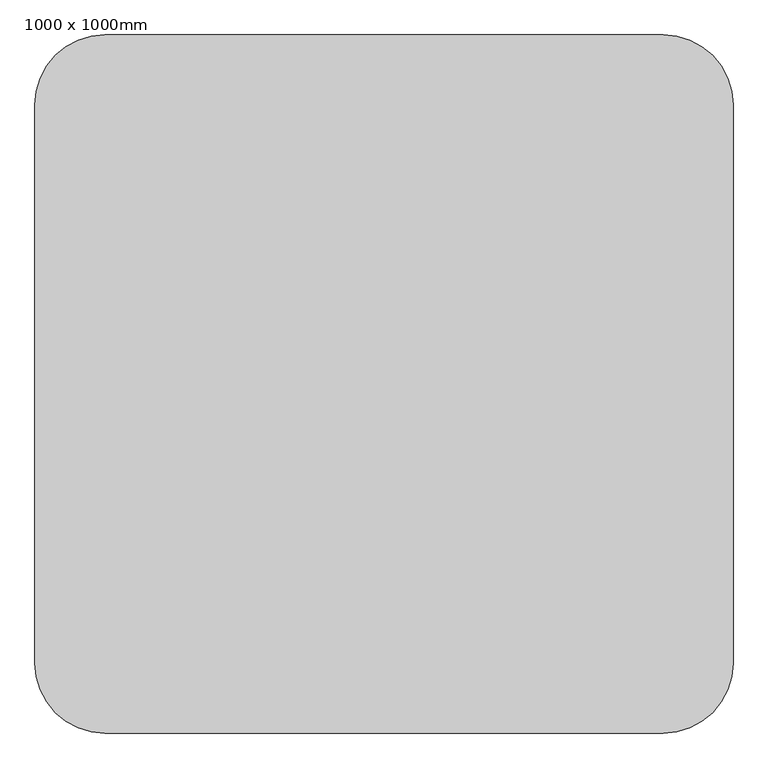
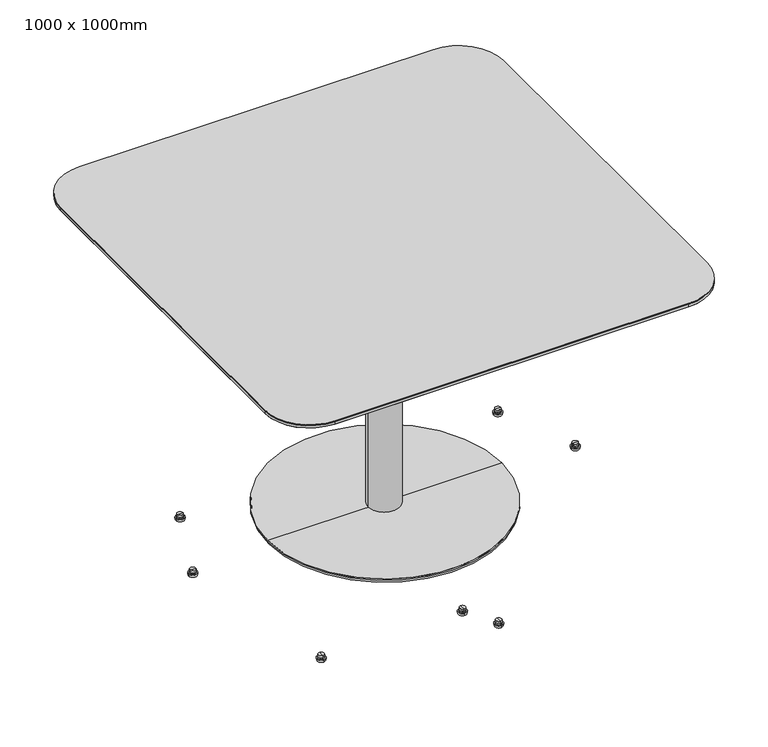
"""IFC4 building model written with IfcOpenShell, lengths in millimetres: furniture geometry, 1000 x 1000mm."""

from ifc_helpers import new_model, si_unit, point, frame, frame_2d, origin, place, context, project, spatial, polyline, circle_curve, trimmed, segment, composite_curve, outline, extrude, source, transform, mapped, element, save
from ifc_brep_helpers import plane_surface, cylinder_surface, revolved_surface, advanced_brep


def furniture_1000_x_1000mm_6dfacca7(model_context):
    return source(origin(), model_context, "Body", "SolidModel", [
        advanced_brep(
        [(455.6003837, 176.3714444, 13.7177537), (468.5727198, 176.3714444, 13.7177537), (462.0865517, 176.3714444, 13.7177537), (455.6003837, 176.3714444, 9.5464368), (468.5727198, 176.3714444, 9.5464368), (458.7415913, 176.3714444, 9.5464368), (465.4315122, 176.3714444, 9.5464368), (458.7415913, 176.3714444, 6.7188998), (465.4315122, 176.3714444, 6.7188998), (455.0404536, 176.3714444, 6.7188998), (469.1326499, 176.3714444, 6.7188998), (455.0404536, 176.3714444, 5.5990832), (469.1326499, 176.3714444, 5.5990832), (451.9608383, 176.3714444, 5.5990832), (472.2122652, 176.3714444, 5.5990832), (453.0806984, 176.3714444, 0.0), (471.0924051, 176.3714444, 0.0), (462.0865517, 176.3714444, 0.0)],
        [
            (0, 1, circle_curve(frame((462.0865517, 176.3714444, 13.7177537), z_axis=(0.0, 0.0, 1.0), x_axis=(1.0, 0.0, 0.0)), 6.4861681)),
            (1, 2),
            (2, 0),
            (1, 0, circle_curve(frame((462.0865517, 176.3714444, 13.7177537), z_axis=(0.0, 0.0, 1.0), x_axis=(1.0, 0.0, 0.0)), 6.4861681)),
            (3, 4, circle_curve(frame((462.0865517, 176.3714444, 9.5464368), z_axis=(0.0, 0.0, 1.0), x_axis=(1.0, 0.0, 0.0)), 6.4861681)),
            (4, 1),
            (0, 3),
            (4, 3, circle_curve(frame((462.0865517, 176.3714444, 9.5464368), z_axis=(0.0, 0.0, 1.0), x_axis=(1.0, 0.0, 0.0)), 6.4861681)),
            (5, 6, circle_curve(frame((462.0865517, 176.3714444, 9.5464368), z_axis=(0.0, 0.0, 1.0), x_axis=(1.0, 0.0, 0.0)), 3.3449605)),
            (6, 4),
            (3, 5),
            (6, 5, circle_curve(frame((462.0865517, 176.3714444, 9.5464368), z_axis=(0.0, 0.0, 1.0), x_axis=(1.0, 0.0, 0.0)), 3.3449605)),
            (7, 8, circle_curve(frame((462.0865517, 176.3714444, 6.7188998), z_axis=(0.0, 0.0, 1.0), x_axis=(1.0, 0.0, 0.0)), 3.3449605)),
            (8, 6),
            (5, 7),
            (8, 7, circle_curve(frame((462.0865517, 176.3714444, 6.7188998), z_axis=(0.0, 0.0, 1.0), x_axis=(1.0, 0.0, 0.0)), 3.3449605)),
            (9, 10, circle_curve(frame((462.0865517, 176.3714444, 6.7188998), z_axis=(0.0, 0.0, 1.0), x_axis=(1.0, 0.0, 0.0)), 7.0460981)),
            (10, 8),
            (7, 9),
            (10, 9, circle_curve(frame((462.0865517, 176.3714444, 6.7188998), z_axis=(0.0, 0.0, 1.0), x_axis=(1.0, 0.0, 0.0)), 7.0460981)),
            (11, 12, circle_curve(frame((462.0865517, 176.3714444, 5.5990832), z_axis=(0.0, 0.0, 1.0), x_axis=(1.0, 0.0, 0.0)), 7.0460981)),
            (12, 10),
            (9, 11),
            (12, 11, circle_curve(frame((462.0865517, 176.3714444, 5.5990832), z_axis=(0.0, 0.0, 1.0), x_axis=(1.0, 0.0, 0.0)), 7.0460981)),
            (13, 14, circle_curve(frame((462.0865517, 176.3714444, 5.5990832), z_axis=(0.0, 0.0, 1.0), x_axis=(1.0, 0.0, 0.0)), 10.1257135)),
            (14, 12),
            (11, 13),
            (14, 13, circle_curve(frame((462.0865517, 176.3714444, 5.5990832), z_axis=(0.0, 0.0, 1.0), x_axis=(1.0, 0.0, 0.0)), 10.1257135)),
            (15, 16, circle_curve(frame((462.0865517, 176.3714444, 0.0), z_axis=(0.0, 0.0, 1.0), x_axis=(1.0, 0.0, 0.0)), 9.0058533)),
            (16, 14),
            (13, 15),
            (16, 15, circle_curve(frame((462.0865517, 176.3714444, 0.0), z_axis=(0.0, 0.0, 1.0), x_axis=(1.0, 0.0, 0.0)), 9.0058533)),
            (17, 16),
            (15, 17),
        ],
        [
            plane_surface(frame((462.0865517, 176.3714444, 13.7177537), z_axis=(0.0, 0.0, 1.0), x_axis=(1.0, 0.0, 0.0))),
            cylinder_surface(frame((462.0865517, 176.3714444, 9.5464368), z_axis=(0.0, 0.0, -1.0), x_axis=(1.0, 0.0, 0.0)), 6.4861681),
            plane_surface(frame((462.0865517, 176.3714444, 9.5464368), z_axis=(0.0, 0.0, -1.0), x_axis=(1.0, 0.0, 0.0))),
            cylinder_surface(frame((462.0865517, 176.3714444, 9.5464368), z_axis=(0.0, 0.0, -1.0), x_axis=(1.0, 0.0, 0.0)), 3.3449605),
            plane_surface(frame((462.0865517, 176.3714444, 6.7188998), z_axis=(0.0, 0.0, 1.0), x_axis=(1.0, 0.0, 0.0))),
            cylinder_surface(frame((462.0865517, 176.3714444, 9.5464368), z_axis=(0.0, 0.0, -1.0), x_axis=(1.0, 0.0, 0.0)), 7.0460981),
            plane_surface(frame((462.0865517, 176.3714444, 5.5990832), z_axis=(0.0, 0.0, 1.0), x_axis=(1.0, 0.0, 0.0))),
            revolved_surface(polyline([(472.2122652, 176.3714444, 5.5990832), (471.0924051, 176.3714444, 0.0)]), (462.0865517, 176.3714444, 9.5464368), (0.0, 0.0, -1.0)),
            plane_surface(frame((462.0865517, 176.3714444, 0.0), z_axis=(0.0, 0.0, -1.0), x_axis=(1.0, 0.0, 0.0))),
        ],
        [
            (0, [[1, 2, 3]]),
            (0, [[4, -3, -2]]),
            (1, [[5, 6, -1, 7]]),
            (1, [[8, -7, -4, -6]]),
            (2, [[9, 10, -5, 11]]),
            (2, [[12, -11, -8, -10]]),
            (3, [[13, 14, -9, 15]]),
            (3, [[16, -15, -12, -14]]),
            (4, [[17, 18, -13, 19]]),
            (4, [[20, -19, -16, -18]]),
            (5, [[21, 22, -17, 23]]),
            (5, [[24, -23, -20, -22]]),
            (6, [[25, 26, -21, 27]]),
            (6, [[28, -27, -24, -26]]),
            (7, [[29, 30, -25, 31]]),
            (7, [[32, -31, -28, -30]]),
            (8, [[33, -29, 34]]),
            (8, [[-34, -32, -33]]),
        ],
    ),
        advanced_brep(
        [(62.5138583, -376.8722705, 13.7177537), (62.5138583, -383.3584386, 13.7177537), (62.5138583, -370.3861024, 13.7177537), (62.5138583, -383.3584386, 9.5464368), (62.5138583, -370.3861024, 9.5464368), (62.5138583, -380.217231, 9.5464368), (62.5138583, -373.52731, 9.5464368), (62.5138583, -380.217231, 6.7188998), (62.5138583, -373.52731, 6.7188998), (62.5138583, -383.9183686, 6.7188998), (62.5138583, -369.8261723, 6.7188998), (62.5138583, -383.9183686, 5.5990832), (62.5138583, -369.8261723, 5.5990832), (62.5138583, -386.9979839, 5.5990832), (62.5138583, -366.746557, 5.5990832), (62.5138583, -385.8781238, 0.0), (62.5138583, -367.8664171, 0.0), (62.5138583, -376.8722705, 0.0)],
        [
            (0, 1),
            (1, 2, circle_curve(frame((62.5138583, -376.8722705, 13.7177537), z_axis=(0.0, 0.0, 1.0), x_axis=(0.0, -1.0, 0.0)), 6.4861681)),
            (2, 0),
            (2, 1, circle_curve(frame((62.5138583, -376.8722705, 13.7177537), z_axis=(0.0, 0.0, 1.0), x_axis=(0.0, -1.0, 0.0)), 6.4861681)),
            (1, 3),
            (3, 4, circle_curve(frame((62.5138583, -376.8722705, 9.5464368), z_axis=(0.0, 0.0, 1.0), x_axis=(0.0, -1.0, 0.0)), 6.4861681)),
            (4, 2),
            (4, 3, circle_curve(frame((62.5138583, -376.8722705, 9.5464368), z_axis=(0.0, 0.0, 1.0), x_axis=(0.0, -1.0, 0.0)), 6.4861681)),
            (3, 5),
            (5, 6, circle_curve(frame((62.5138583, -376.8722705, 9.5464368), z_axis=(0.0, 0.0, 1.0), x_axis=(0.0, -1.0, 0.0)), 3.3449605)),
            (6, 4),
            (6, 5, circle_curve(frame((62.5138583, -376.8722705, 9.5464368), z_axis=(0.0, 0.0, 1.0), x_axis=(0.0, -1.0, 0.0)), 3.3449605)),
            (5, 7),
            (7, 8, circle_curve(frame((62.5138583, -376.8722705, 6.7188998), z_axis=(0.0, 0.0, 1.0), x_axis=(0.0, -1.0, 0.0)), 3.3449605)),
            (8, 6),
            (8, 7, circle_curve(frame((62.5138583, -376.8722705, 6.7188998), z_axis=(0.0, 0.0, 1.0), x_axis=(0.0, -1.0, 0.0)), 3.3449605)),
            (7, 9),
            (9, 10, circle_curve(frame((62.5138583, -376.8722705, 6.7188998), z_axis=(0.0, 0.0, 1.0), x_axis=(0.0, -1.0, 0.0)), 7.0460981)),
            (10, 8),
            (10, 9, circle_curve(frame((62.5138583, -376.8722705, 6.7188998), z_axis=(0.0, 0.0, 1.0), x_axis=(0.0, -1.0, 0.0)), 7.0460981)),
            (9, 11),
            (11, 12, circle_curve(frame((62.5138583, -376.8722705, 5.5990832), z_axis=(0.0, 0.0, 1.0), x_axis=(0.0, -1.0, 0.0)), 7.0460981)),
            (12, 10),
            (12, 11, circle_curve(frame((62.5138583, -376.8722705, 5.5990832), z_axis=(0.0, 0.0, 1.0), x_axis=(0.0, -1.0, 0.0)), 7.0460981)),
            (11, 13),
            (13, 14, circle_curve(frame((62.5138583, -376.8722705, 5.5990832), z_axis=(0.0, 0.0, 1.0), x_axis=(0.0, -1.0, 0.0)), 10.1257135)),
            (14, 12),
            (14, 13, circle_curve(frame((62.5138583, -376.8722705, 5.5990832), z_axis=(0.0, 0.0, 1.0), x_axis=(0.0, -1.0, 0.0)), 10.1257135)),
            (13, 15),
            (15, 16, circle_curve(frame((62.5138583, -376.8722705, 0.0), z_axis=(0.0, 0.0, 1.0), x_axis=(0.0, -1.0, 0.0)), 9.0058533)),
            (16, 14),
            (16, 15, circle_curve(frame((62.5138583, -376.8722705, 0.0), z_axis=(0.0, 0.0, 1.0), x_axis=(0.0, -1.0, 0.0)), 9.0058533)),
            (15, 17),
            (17, 16),
        ],
        [
            plane_surface(frame((62.5138583, -376.8722705, 13.7177537), z_axis=(0.0, 0.0, 1.0), x_axis=(0.0, -1.0, 0.0))),
            cylinder_surface(frame((62.5138583, -376.8722705, 9.5464368), z_axis=(0.0, 0.0, 1.0), x_axis=(0.0, -1.0, 0.0)), 6.4861681),
            plane_surface(frame((62.5138583, -376.8722705, 9.5464368), z_axis=(0.0, 0.0, -1.0), x_axis=(0.0, -1.0, 0.0))),
            cylinder_surface(frame((62.5138583, -376.8722705, 9.5464368), z_axis=(0.0, 0.0, 1.0), x_axis=(0.0, -1.0, 0.0)), 3.3449605),
            plane_surface(frame((62.5138583, -376.8722705, 6.7188998), z_axis=(0.0, 0.0, 1.0), x_axis=(0.0, -1.0, 0.0))),
            cylinder_surface(frame((62.5138583, -376.8722705, 9.5464368), z_axis=(0.0, 0.0, 1.0), x_axis=(0.0, -1.0, 0.0)), 7.0460981),
            plane_surface(frame((62.5138583, -376.8722705, 5.5990832), z_axis=(0.0, 0.0, 1.0), x_axis=(0.0, -1.0, 0.0))),
            revolved_surface(polyline([(62.5138583, -385.8781238, 0.0), (62.5138583, -386.9979839, 5.5990832)]), (62.5138583, -376.8722705, 9.5464368), (0.0, 0.0, 1.0)),
            plane_surface(frame((62.5138583, -376.8722705, 0.0), z_axis=(0.0, 0.0, -1.0), x_axis=(0.0, -1.0, 0.0))),
        ],
        [
            (0, [[1, 2, 3]]),
            (0, [[-3, 4, -1]]),
            (1, [[-2, 5, 6, 7]]),
            (1, [[-4, -7, 8, -5]]),
            (2, [[-6, 9, 10, 11]]),
            (2, [[-8, -11, 12, -9]]),
            (3, [[-10, 13, 14, 15]]),
            (3, [[-12, -15, 16, -13]]),
            (4, [[-14, 17, 18, 19]]),
            (4, [[-16, -19, 20, -17]]),
            (5, [[-18, 21, 22, 23]]),
            (5, [[-20, -23, 24, -21]]),
            (6, [[-22, 25, 26, 27]]),
            (6, [[-24, -27, 28, -25]]),
            (7, [[-26, 29, 30, 31]]),
            (7, [[-28, -31, 32, -29]]),
            (8, [[-30, 33, 34]]),
            (8, [[-32, -34, -33]]),
        ],
    ),
        advanced_brep(
        [(535.0657123, 0.0, 13.7177537), (541.5518804, 0.0, 13.7177537), (528.5795442, 0.0, 13.7177537), (541.5518804, 0.0, 9.5464368), (528.5795442, 0.0, 9.5464368), (538.4106728, 0.0, 9.5464368), (531.7207518, 0.0, 9.5464368), (538.4106728, 0.0, 6.7188998), (531.7207518, 0.0, 6.7188998), (542.1118105, 0.0, 6.7188998), (528.0196142, 0.0, 6.7188998), (542.1118105, 0.0, 5.5990832), (528.0196142, 0.0, 5.5990832), (545.1914258, 0.0, 5.5990832), (524.9399989, 0.0, 5.5990832), (544.0715657, 0.0, 0.0), (526.059859, 0.0, 0.0), (535.0657123, 0.0, 0.0)],
        [
            (0, 1),
            (1, 2, circle_curve(frame((535.0657123, 0.0, 13.7177537), z_axis=(0.0, 0.0, 1.0), x_axis=(1.0, 0.0, 0.0)), 6.4861681)),
            (2, 0),
            (2, 1, circle_curve(frame((535.0657123, 0.0, 13.7177537), z_axis=(0.0, 0.0, 1.0), x_axis=(1.0, 0.0, 0.0)), 6.4861681)),
            (1, 3),
            (3, 4, circle_curve(frame((535.0657123, 0.0, 9.5464368), z_axis=(0.0, 0.0, 1.0), x_axis=(1.0, 0.0, 0.0)), 6.4861681)),
            (4, 2),
            (4, 3, circle_curve(frame((535.0657123, 0.0, 9.5464368), z_axis=(0.0, 0.0, 1.0), x_axis=(1.0, 0.0, 0.0)), 6.4861681)),
            (3, 5),
            (5, 6, circle_curve(frame((535.0657123, 0.0, 9.5464368), z_axis=(0.0, 0.0, 1.0), x_axis=(1.0, 0.0, 0.0)), 3.3449605)),
            (6, 4),
            (6, 5, circle_curve(frame((535.0657123, 0.0, 9.5464368), z_axis=(0.0, 0.0, 1.0), x_axis=(1.0, 0.0, 0.0)), 3.3449605)),
            (5, 7),
            (7, 8, circle_curve(frame((535.0657123, 0.0, 6.7188998), z_axis=(0.0, 0.0, 1.0), x_axis=(1.0, 0.0, 0.0)), 3.3449605)),
            (8, 6),
            (8, 7, circle_curve(frame((535.0657123, 0.0, 6.7188998), z_axis=(0.0, 0.0, 1.0), x_axis=(1.0, 0.0, 0.0)), 3.3449605)),
            (7, 9),
            (9, 10, circle_curve(frame((535.0657123, 0.0, 6.7188998), z_axis=(0.0, 0.0, 1.0), x_axis=(1.0, 0.0, 0.0)), 7.0460981)),
            (10, 8),
            (10, 9, circle_curve(frame((535.0657123, 0.0, 6.7188998), z_axis=(0.0, 0.0, 1.0), x_axis=(1.0, 0.0, 0.0)), 7.0460981)),
            (9, 11),
            (11, 12, circle_curve(frame((535.0657123, 0.0, 5.5990832), z_axis=(0.0, 0.0, 1.0), x_axis=(1.0, 0.0, 0.0)), 7.0460981)),
            (12, 10),
            (12, 11, circle_curve(frame((535.0657123, 0.0, 5.5990832), z_axis=(0.0, 0.0, 1.0), x_axis=(1.0, 0.0, 0.0)), 7.0460981)),
            (11, 13),
            (13, 14, circle_curve(frame((535.0657123, 0.0, 5.5990832), z_axis=(0.0, 0.0, 1.0), x_axis=(1.0, 0.0, 0.0)), 10.1257135)),
            (14, 12),
            (14, 13, circle_curve(frame((535.0657123, 0.0, 5.5990832), z_axis=(0.0, 0.0, 1.0), x_axis=(1.0, 0.0, 0.0)), 10.1257135)),
            (13, 15),
            (15, 16, circle_curve(frame((535.0657123, 0.0, 0.0), z_axis=(0.0, 0.0, 1.0), x_axis=(1.0, 0.0, 0.0)), 9.0058533)),
            (16, 14),
            (16, 15, circle_curve(frame((535.0657123, 0.0, 0.0), z_axis=(0.0, 0.0, 1.0), x_axis=(1.0, 0.0, 0.0)), 9.0058533)),
            (15, 17),
            (17, 16),
        ],
        [
            plane_surface(frame((535.0657123, 0.0, 13.7177537), z_axis=(0.0, 0.0, 1.0), x_axis=(1.0, 0.0, 0.0))),
            cylinder_surface(frame((535.0657123, 0.0, 9.5464368), z_axis=(0.0, 0.0, 1.0), x_axis=(1.0, 0.0, 0.0)), 6.4861681),
            plane_surface(frame((535.0657123, 0.0, 9.5464368), z_axis=(0.0, 0.0, -1.0), x_axis=(1.0, 0.0, 0.0))),
            cylinder_surface(frame((535.0657123, 0.0, 9.5464368), z_axis=(0.0, 0.0, 1.0), x_axis=(1.0, 0.0, 0.0)), 3.3449605),
            plane_surface(frame((535.0657123, 0.0, 6.7188998), z_axis=(0.0, 0.0, 1.0), x_axis=(1.0, 0.0, 0.0))),
            cylinder_surface(frame((535.0657123, 0.0, 9.5464368), z_axis=(0.0, 0.0, 1.0), x_axis=(1.0, 0.0, 0.0)), 7.0460981),
            plane_surface(frame((535.0657123, 0.0, 5.5990832), z_axis=(0.0, 0.0, 1.0), x_axis=(1.0, 0.0, 0.0))),
            revolved_surface(polyline([(544.0715657, 0.0, 0.0), (545.1914258, 0.0, 5.5990832)]), (535.0657123, 0.0, 9.5464368), (0.0, 0.0, 1.0)),
            plane_surface(frame((535.0657123, 0.0, 0.0), z_axis=(0.0, 0.0, -1.0), x_axis=(1.0, 0.0, 0.0))),
        ],
        [
            (0, [[1, 2, 3]]),
            (0, [[-3, 4, -1]]),
            (1, [[-2, 5, 6, 7]]),
            (1, [[-4, -7, 8, -5]]),
            (2, [[-6, 9, 10, 11]]),
            (2, [[-8, -11, 12, -9]]),
            (3, [[-10, 13, 14, 15]]),
            (3, [[-12, -15, 16, -13]]),
            (4, [[-14, 17, 18, 19]]),
            (4, [[-16, -19, 20, -17]]),
            (5, [[-18, 21, 22, 23]]),
            (5, [[-20, -23, 24, -21]]),
            (6, [[-22, 25, 26, 27]]),
            (6, [[-24, -27, 28, -25]]),
            (7, [[-26, 29, 30, 31]]),
            (7, [[-28, -31, 32, -29]]),
            (8, [[-30, 33, 34]]),
            (8, [[-32, -34, -33]]),
        ],
    ),
        extrude(outline(polyline([(199.9999478, 368.5153562), (500.0000157, -4.6903452), (199.9999445, -377.8950728), (6.44e-05, -377.8950728), (-299.9997435, -4.6898216), (5.22e-05, 368.5153562), (199.9999478, 368.5153562)])), frame((0.0, 0.0, 628.9250885), z_axis=(0.0, 0.0, 1.0), x_axis=(1.0, 0.0, 0.0)), (0.0, 0.0, 1.0), 5.0391748),
        advanced_brep(
        [(-255.8897158, 176.3714444, 13.7177537), (-262.3758839, 176.3714444, 13.7177537), (-249.4035477, 176.3714444, 13.7177537), (-262.3758839, 176.3714444, 9.5464368), (-249.4035477, 176.3714444, 9.5464368), (-259.2346763, 176.3714444, 9.5464368), (-252.5447553, 176.3714444, 9.5464368), (-259.2346763, 176.3714444, 6.7188998), (-252.5447553, 176.3714444, 6.7188998), (-262.935814, 176.3714444, 6.7188998), (-248.8436177, 176.3714444, 6.7188998), (-262.935814, 176.3714444, 5.5990832), (-248.8436177, 176.3714444, 5.5990832), (-266.0154293, 176.3714444, 5.5990832), (-245.7640024, 176.3714444, 5.5990832), (-264.8955692, 176.3714444, 0.0), (-246.8838625, 176.3714444, 0.0), (-255.8897158, 176.3714444, 0.0)],
        [
            (0, 1),
            (1, 2, circle_curve(frame((-255.8897158, 176.3714444, 13.7177537), z_axis=(0.0, 0.0, 1.0), x_axis=(-1.0, 0.0, 0.0)), 6.4861681)),
            (2, 0),
            (2, 1, circle_curve(frame((-255.8897158, 176.3714444, 13.7177537), z_axis=(0.0, 0.0, 1.0), x_axis=(-1.0, 0.0, 0.0)), 6.4861681)),
            (1, 3),
            (3, 4, circle_curve(frame((-255.8897158, 176.3714444, 9.5464368), z_axis=(0.0, 0.0, 1.0), x_axis=(-1.0, 0.0, 0.0)), 6.4861681)),
            (4, 2),
            (4, 3, circle_curve(frame((-255.8897158, 176.3714444, 9.5464368), z_axis=(0.0, 0.0, 1.0), x_axis=(-1.0, 0.0, 0.0)), 6.4861681)),
            (3, 5),
            (5, 6, circle_curve(frame((-255.8897158, 176.3714444, 9.5464368), z_axis=(0.0, 0.0, 1.0), x_axis=(-1.0, 0.0, 0.0)), 3.3449605)),
            (6, 4),
            (6, 5, circle_curve(frame((-255.8897158, 176.3714444, 9.5464368), z_axis=(0.0, 0.0, 1.0), x_axis=(-1.0, 0.0, 0.0)), 3.3449605)),
            (5, 7),
            (7, 8, circle_curve(frame((-255.8897158, 176.3714444, 6.7188998), z_axis=(0.0, 0.0, 1.0), x_axis=(-1.0, 0.0, 0.0)), 3.3449605)),
            (8, 6),
            (8, 7, circle_curve(frame((-255.8897158, 176.3714444, 6.7188998), z_axis=(0.0, 0.0, 1.0), x_axis=(-1.0, 0.0, 0.0)), 3.3449605)),
            (7, 9),
            (9, 10, circle_curve(frame((-255.8897158, 176.3714444, 6.7188998), z_axis=(0.0, 0.0, 1.0), x_axis=(-1.0, 0.0, 0.0)), 7.0460981)),
            (10, 8),
            (10, 9, circle_curve(frame((-255.8897158, 176.3714444, 6.7188998), z_axis=(0.0, 0.0, 1.0), x_axis=(-1.0, 0.0, 0.0)), 7.0460981)),
            (9, 11),
            (11, 12, circle_curve(frame((-255.8897158, 176.3714444, 5.5990832), z_axis=(0.0, 0.0, 1.0), x_axis=(-1.0, 0.0, 0.0)), 7.0460981)),
            (12, 10),
            (12, 11, circle_curve(frame((-255.8897158, 176.3714444, 5.5990832), z_axis=(0.0, 0.0, 1.0), x_axis=(-1.0, 0.0, 0.0)), 7.0460981)),
            (11, 13),
            (13, 14, circle_curve(frame((-255.8897158, 176.3714444, 5.5990832), z_axis=(0.0, 0.0, 1.0), x_axis=(-1.0, 0.0, 0.0)), 10.1257135)),
            (14, 12),
            (14, 13, circle_curve(frame((-255.8897158, 176.3714444, 5.5990832), z_axis=(0.0, 0.0, 1.0), x_axis=(-1.0, 0.0, 0.0)), 10.1257135)),
            (13, 15),
            (15, 16, circle_curve(frame((-255.8897158, 176.3714444, 0.0), z_axis=(0.0, 0.0, 1.0), x_axis=(-1.0, 0.0, 0.0)), 9.0058533)),
            (16, 14),
            (16, 15, circle_curve(frame((-255.8897158, 176.3714444, 0.0), z_axis=(0.0, 0.0, 1.0), x_axis=(-1.0, 0.0, 0.0)), 9.0058533)),
            (15, 17),
            (17, 16),
        ],
        [
            plane_surface(frame((-255.8897158, 176.3714444, 13.7177537), z_axis=(0.0, 0.0, 1.0), x_axis=(-1.0, 0.0, 0.0))),
            cylinder_surface(frame((-255.8897158, 176.3714444, 9.5464368), z_axis=(0.0, 0.0, 1.0), x_axis=(-1.0, 0.0, 0.0)), 6.4861681),
            plane_surface(frame((-255.8897158, 176.3714444, 9.5464368), z_axis=(0.0, 0.0, -1.0), x_axis=(-1.0, 0.0, 0.0))),
            cylinder_surface(frame((-255.8897158, 176.3714444, 9.5464368), z_axis=(0.0, 0.0, 1.0), x_axis=(-1.0, 0.0, 0.0)), 3.3449605),
            plane_surface(frame((-255.8897158, 176.3714444, 6.7188998), z_axis=(0.0, 0.0, 1.0), x_axis=(-1.0, 0.0, 0.0))),
            cylinder_surface(frame((-255.8897158, 176.3714444, 9.5464368), z_axis=(0.0, 0.0, 1.0), x_axis=(-1.0, 0.0, 0.0)), 7.0460981),
            plane_surface(frame((-255.8897158, 176.3714444, 5.5990832), z_axis=(0.0, 0.0, 1.0), x_axis=(-1.0, 0.0, 0.0))),
            revolved_surface(polyline([(-264.8955692, 176.3714444, 0.0), (-266.0154293, 176.3714444, 5.5990832)]), (-255.8897158, 176.3714444, 9.5464368), (0.0, 0.0, 1.0)),
            plane_surface(frame((-255.8897158, 176.3714444, 0.0), z_axis=(0.0, 0.0, -1.0), x_axis=(-1.0, 0.0, 0.0))),
        ],
        [
            (0, [[1, 2, 3]]),
            (0, [[-3, 4, -1]]),
            (1, [[-2, 5, 6, 7]]),
            (1, [[-4, -7, 8, -5]]),
            (2, [[-6, 9, 10, 11]]),
            (2, [[-8, -11, 12, -9]]),
            (3, [[-10, 13, 14, 15]]),
            (3, [[-12, -15, 16, -13]]),
            (4, [[-14, 17, 18, 19]]),
            (4, [[-16, -19, 20, -17]]),
            (5, [[-18, 21, 22, 23]]),
            (5, [[-20, -23, 24, -21]]),
            (6, [[-22, 25, 26, 27]]),
            (6, [[-24, -27, 28, -25]]),
            (7, [[-26, 29, 30, 31]]),
            (7, [[-28, -31, 32, -29]]),
            (8, [[-30, 33, 34]]),
            (8, [[-32, -34, -33]]),
        ],
    ),
        advanced_brep(
        [(-256.3170223, -370.3861024, 13.7177537), (-256.3170223, -383.3584386, 13.7177537), (-256.3170223, -376.8722705, 13.7177537), (-256.3170223, -370.3861024, 9.5464368), (-256.3170223, -383.3584386, 9.5464368), (-256.3170223, -373.52731, 9.5464368), (-256.3170223, -380.217231, 9.5464368), (-256.3170223, -373.52731, 6.7188998), (-256.3170223, -380.217231, 6.7188998), (-256.3170223, -369.8261723, 6.7188998), (-256.3170223, -383.9183686, 6.7188998), (-256.3170223, -369.8261723, 5.5990832), (-256.3170223, -383.9183686, 5.5990832), (-256.3170223, -366.746557, 5.5990832), (-256.3170223, -386.9979839, 5.5990832), (-256.3170223, -367.8664171, 0.0), (-256.3170223, -385.8781238, 0.0), (-256.3170223, -376.8722705, 0.0)],
        [
            (0, 1, circle_curve(frame((-256.3170223, -376.8722705, 13.7177537), z_axis=(0.0, 0.0, 1.0), x_axis=(0.0, -1.0, 0.0)), 6.4861681)),
            (1, 2),
            (2, 0),
            (1, 0, circle_curve(frame((-256.3170223, -376.8722705, 13.7177537), z_axis=(0.0, 0.0, 1.0), x_axis=(0.0, -1.0, 0.0)), 6.4861681)),
            (3, 4, circle_curve(frame((-256.3170223, -376.8722705, 9.5464368), z_axis=(0.0, 0.0, 1.0), x_axis=(0.0, -1.0, 0.0)), 6.4861681)),
            (4, 1),
            (0, 3),
            (4, 3, circle_curve(frame((-256.3170223, -376.8722705, 9.5464368), z_axis=(0.0, 0.0, 1.0), x_axis=(0.0, -1.0, 0.0)), 6.4861681)),
            (5, 6, circle_curve(frame((-256.3170223, -376.8722705, 9.5464368), z_axis=(0.0, 0.0, 1.0), x_axis=(0.0, -1.0, 0.0)), 3.3449605)),
            (6, 4),
            (3, 5),
            (6, 5, circle_curve(frame((-256.3170223, -376.8722705, 9.5464368), z_axis=(0.0, 0.0, 1.0), x_axis=(0.0, -1.0, 0.0)), 3.3449605)),
            (7, 8, circle_curve(frame((-256.3170223, -376.8722705, 6.7188998), z_axis=(0.0, 0.0, 1.0), x_axis=(0.0, -1.0, 0.0)), 3.3449605)),
            (8, 6),
            (5, 7),
            (8, 7, circle_curve(frame((-256.3170223, -376.8722705, 6.7188998), z_axis=(0.0, 0.0, 1.0), x_axis=(0.0, -1.0, 0.0)), 3.3449605)),
            (9, 10, circle_curve(frame((-256.3170223, -376.8722705, 6.7188998), z_axis=(0.0, 0.0, 1.0), x_axis=(0.0, -1.0, 0.0)), 7.0460981)),
            (10, 8),
            (7, 9),
            (10, 9, circle_curve(frame((-256.3170223, -376.8722705, 6.7188998), z_axis=(0.0, 0.0, 1.0), x_axis=(0.0, -1.0, 0.0)), 7.0460981)),
            (11, 12, circle_curve(frame((-256.3170223, -376.8722705, 5.5990832), z_axis=(0.0, 0.0, 1.0), x_axis=(0.0, -1.0, 0.0)), 7.0460981)),
            (12, 10),
            (9, 11),
            (12, 11, circle_curve(frame((-256.3170223, -376.8722705, 5.5990832), z_axis=(0.0, 0.0, 1.0), x_axis=(0.0, -1.0, 0.0)), 7.0460981)),
            (13, 14, circle_curve(frame((-256.3170223, -376.8722705, 5.5990832), z_axis=(0.0, 0.0, 1.0), x_axis=(0.0, -1.0, 0.0)), 10.1257135)),
            (14, 12),
            (11, 13),
            (14, 13, circle_curve(frame((-256.3170223, -376.8722705, 5.5990832), z_axis=(0.0, 0.0, 1.0), x_axis=(0.0, -1.0, 0.0)), 10.1257135)),
            (15, 16, circle_curve(frame((-256.3170223, -376.8722705, 0.0), z_axis=(0.0, 0.0, 1.0), x_axis=(0.0, -1.0, 0.0)), 9.0058533)),
            (16, 14),
            (13, 15),
            (16, 15, circle_curve(frame((-256.3170223, -376.8722705, 0.0), z_axis=(0.0, 0.0, 1.0), x_axis=(0.0, -1.0, 0.0)), 9.0058533)),
            (17, 16),
            (15, 17),
        ],
        [
            plane_surface(frame((-256.3170223, -376.8722705, 13.7177537), z_axis=(0.0, 0.0, 1.0), x_axis=(0.0, -1.0, 0.0))),
            cylinder_surface(frame((-256.3170223, -376.8722705, 9.5464368), z_axis=(0.0, 0.0, -1.0), x_axis=(0.0, -1.0, 0.0)), 6.4861681),
            plane_surface(frame((-256.3170223, -376.8722705, 9.5464368), z_axis=(0.0, 0.0, -1.0), x_axis=(0.0, -1.0, 0.0))),
            cylinder_surface(frame((-256.3170223, -376.8722705, 9.5464368), z_axis=(0.0, 0.0, -1.0), x_axis=(0.0, -1.0, 0.0)), 3.3449605),
            plane_surface(frame((-256.3170223, -376.8722705, 6.7188998), z_axis=(0.0, 0.0, 1.0), x_axis=(0.0, -1.0, 0.0))),
            cylinder_surface(frame((-256.3170223, -376.8722705, 9.5464368), z_axis=(0.0, 0.0, -1.0), x_axis=(0.0, -1.0, 0.0)), 7.0460981),
            plane_surface(frame((-256.3170223, -376.8722705, 5.5990832), z_axis=(0.0, 0.0, 1.0), x_axis=(0.0, -1.0, 0.0))),
            revolved_surface(polyline([(-256.3170223, -386.9979839, 5.5990832), (-256.3170223, -385.8781238, 0.0)]), (-256.3170223, -376.8722705, 9.5464368), (0.0, 0.0, -1.0)),
            plane_surface(frame((-256.3170223, -376.8722705, 0.0), z_axis=(0.0, 0.0, -1.0), x_axis=(0.0, -1.0, 0.0))),
        ],
        [
            (0, [[1, 2, 3]]),
            (0, [[4, -3, -2]]),
            (1, [[5, 6, -1, 7]]),
            (1, [[8, -7, -4, -6]]),
            (2, [[9, 10, -5, 11]]),
            (2, [[12, -11, -8, -10]]),
            (3, [[13, 14, -9, 15]]),
            (3, [[16, -15, -12, -14]]),
            (4, [[17, 18, -13, 19]]),
            (4, [[20, -19, -16, -18]]),
            (5, [[21, 22, -17, 23]]),
            (5, [[24, -23, -20, -22]]),
            (6, [[25, 26, -21, 27]]),
            (6, [[28, -27, -24, -26]]),
            (7, [[29, 30, -25, 31]]),
            (7, [[32, -31, -28, -30]]),
            (8, [[33, -29, 34]]),
            (8, [[-34, -32, -33]]),
        ],
    ),
        advanced_brep(
        [(103.098418, 448.8688764, 13.7177537), (103.098418, 455.3550445, 13.7177537), (103.098418, 442.3827083, 13.7177537), (103.098418, 455.3550445, 9.5464368), (103.098418, 442.3827083, 9.5464368), (103.098418, 452.2138369, 9.5464368), (103.098418, 445.5239159, 9.5464368), (103.098418, 452.2138369, 6.7188998), (103.098418, 445.5239159, 6.7188998), (103.098418, 455.9149745, 6.7188998), (103.098418, 441.8227782, 6.7188998), (103.098418, 455.9149745, 5.5990832), (103.098418, 441.8227782, 5.5990832), (103.098418, 458.9945898, 5.5990832), (103.098418, 438.7431629, 5.5990832), (103.098418, 457.8747297, 0.0), (103.098418, 439.863023, 0.0), (103.098418, 448.8688764, 0.0)],
        [
            (0, 1),
            (1, 2, circle_curve(frame((103.098418, 448.8688764, 13.7177537), z_axis=(0.0, 0.0, 1.0), x_axis=(0.0, 1.0, 0.0)), 6.4861681)),
            (2, 0),
            (2, 1, circle_curve(frame((103.098418, 448.8688764, 13.7177537), z_axis=(0.0, 0.0, 1.0), x_axis=(0.0, 1.0, 0.0)), 6.4861681)),
            (1, 3),
            (3, 4, circle_curve(frame((103.098418, 448.8688764, 9.5464368), z_axis=(0.0, 0.0, 1.0), x_axis=(0.0, 1.0, 0.0)), 6.4861681)),
            (4, 2),
            (4, 3, circle_curve(frame((103.098418, 448.8688764, 9.5464368), z_axis=(0.0, 0.0, 1.0), x_axis=(0.0, 1.0, 0.0)), 6.4861681)),
            (3, 5),
            (5, 6, circle_curve(frame((103.098418, 448.8688764, 9.5464368), z_axis=(0.0, 0.0, 1.0), x_axis=(0.0, 1.0, 0.0)), 3.3449605)),
            (6, 4),
            (6, 5, circle_curve(frame((103.098418, 448.8688764, 9.5464368), z_axis=(0.0, 0.0, 1.0), x_axis=(0.0, 1.0, 0.0)), 3.3449605)),
            (5, 7),
            (7, 8, circle_curve(frame((103.098418, 448.8688764, 6.7188998), z_axis=(0.0, 0.0, 1.0), x_axis=(0.0, 1.0, 0.0)), 3.3449605)),
            (8, 6),
            (8, 7, circle_curve(frame((103.098418, 448.8688764, 6.7188998), z_axis=(0.0, 0.0, 1.0), x_axis=(0.0, 1.0, 0.0)), 3.3449605)),
            (7, 9),
            (9, 10, circle_curve(frame((103.098418, 448.8688764, 6.7188998), z_axis=(0.0, 0.0, 1.0), x_axis=(0.0, 1.0, 0.0)), 7.0460981)),
            (10, 8),
            (10, 9, circle_curve(frame((103.098418, 448.8688764, 6.7188998), z_axis=(0.0, 0.0, 1.0), x_axis=(0.0, 1.0, 0.0)), 7.0460981)),
            (9, 11),
            (11, 12, circle_curve(frame((103.098418, 448.8688764, 5.5990832), z_axis=(0.0, 0.0, 1.0), x_axis=(0.0, 1.0, 0.0)), 7.0460981)),
            (12, 10),
            (12, 11, circle_curve(frame((103.098418, 448.8688764, 5.5990832), z_axis=(0.0, 0.0, 1.0), x_axis=(0.0, 1.0, 0.0)), 7.0460981)),
            (11, 13),
            (13, 14, circle_curve(frame((103.098418, 448.8688764, 5.5990832), z_axis=(0.0, 0.0, 1.0), x_axis=(0.0, 1.0, 0.0)), 10.1257135)),
            (14, 12),
            (14, 13, circle_curve(frame((103.098418, 448.8688764, 5.5990832), z_axis=(0.0, 0.0, 1.0), x_axis=(0.0, 1.0, 0.0)), 10.1257135)),
            (13, 15),
            (15, 16, circle_curve(frame((103.098418, 448.8688764, 0.0), z_axis=(0.0, 0.0, 1.0), x_axis=(0.0, 1.0, 0.0)), 9.0058533)),
            (16, 14),
            (16, 15, circle_curve(frame((103.098418, 448.8688764, 0.0), z_axis=(0.0, 0.0, 1.0), x_axis=(0.0, 1.0, 0.0)), 9.0058533)),
            (15, 17),
            (17, 16),
        ],
        [
            plane_surface(frame((103.098418, 448.8688764, 13.7177537), z_axis=(0.0, 0.0, 1.0), x_axis=(0.0, 1.0, 0.0))),
            cylinder_surface(frame((103.098418, 448.8688764, 9.5464368), z_axis=(0.0, 0.0, 1.0), x_axis=(0.0, 1.0, 0.0)), 6.4861681),
            plane_surface(frame((103.098418, 448.8688764, 9.5464368), z_axis=(0.0, 0.0, -1.0), x_axis=(0.0, 1.0, 0.0))),
            cylinder_surface(frame((103.098418, 448.8688764, 9.5464368), z_axis=(0.0, 0.0, 1.0), x_axis=(0.0, 1.0, 0.0)), 3.3449605),
            plane_surface(frame((103.098418, 448.8688764, 6.7188998), z_axis=(0.0, 0.0, 1.0), x_axis=(0.0, 1.0, 0.0))),
            cylinder_surface(frame((103.098418, 448.8688764, 9.5464368), z_axis=(0.0, 0.0, 1.0), x_axis=(0.0, 1.0, 0.0)), 7.0460981),
            plane_surface(frame((103.098418, 448.8688764, 5.5990832), z_axis=(0.0, 0.0, 1.0), x_axis=(0.0, 1.0, 0.0))),
            revolved_surface(polyline([(103.098418, 457.8747297, 0.0), (103.098418, 458.9945898, 5.5990832)]), (103.098418, 448.8688764, 9.5464368), (0.0, 0.0, 1.0)),
            plane_surface(frame((103.098418, 448.8688764, 0.0), z_axis=(0.0, 0.0, -1.0), x_axis=(0.0, 1.0, 0.0))),
        ],
        [
            (0, [[1, 2, 3]]),
            (0, [[-3, 4, -1]]),
            (1, [[-2, 5, 6, 7]]),
            (1, [[-4, -7, 8, -5]]),
            (2, [[-6, 9, 10, 11]]),
            (2, [[-8, -11, 12, -9]]),
            (3, [[-10, 13, 14, 15]]),
            (3, [[-12, -15, 16, -13]]),
            (4, [[-14, 17, 18, 19]]),
            (4, [[-16, -19, 20, -17]]),
            (5, [[-18, 21, 22, 23]]),
            (5, [[-20, -23, 24, -21]]),
            (6, [[-22, 25, 26, 27]]),
            (6, [[-24, -27, 28, -25]]),
            (7, [[-26, 29, 30, 31]]),
            (7, [[-28, -31, 32, -29]]),
            (8, [[-30, 33, 34]]),
            (8, [[-32, -34, -33]]),
        ],
    ),
        advanced_brep(
        [(103.098418, -442.3827083, 13.7177537), (103.098418, -455.3550445, 13.7177537), (103.098418, -448.8688764, 13.7177537), (103.098418, -442.3827083, 9.5464368), (103.098418, -455.3550445, 9.5464368), (103.098418, -445.5239159, 9.5464368), (103.098418, -452.2138369, 9.5464368), (103.098418, -445.5239159, 6.7188998), (103.098418, -452.2138369, 6.7188998), (103.098418, -441.8227782, 6.7188998), (103.098418, -455.9149745, 6.7188998), (103.098418, -441.8227782, 5.5990832), (103.098418, -455.9149745, 5.5990832), (103.098418, -438.7431629, 5.5990832), (103.098418, -458.9945898, 5.5990832), (103.098418, -439.863023, 0.0), (103.098418, -457.8747297, 0.0), (103.098418, -448.8688764, 0.0)],
        [
            (0, 1, circle_curve(frame((103.098418, -448.8688764, 13.7177537), z_axis=(0.0, 0.0, 1.0), x_axis=(0.0, -1.0, 0.0)), 6.4861681)),
            (1, 2),
            (2, 0),
            (1, 0, circle_curve(frame((103.098418, -448.8688764, 13.7177537), z_axis=(0.0, 0.0, 1.0), x_axis=(0.0, -1.0, 0.0)), 6.4861681)),
            (3, 4, circle_curve(frame((103.098418, -448.8688764, 9.5464368), z_axis=(0.0, 0.0, 1.0), x_axis=(0.0, -1.0, 0.0)), 6.4861681)),
            (4, 1),
            (0, 3),
            (4, 3, circle_curve(frame((103.098418, -448.8688764, 9.5464368), z_axis=(0.0, 0.0, 1.0), x_axis=(0.0, -1.0, 0.0)), 6.4861681)),
            (5, 6, circle_curve(frame((103.098418, -448.8688764, 9.5464368), z_axis=(0.0, 0.0, 1.0), x_axis=(0.0, -1.0, 0.0)), 3.3449605)),
            (6, 4),
            (3, 5),
            (6, 5, circle_curve(frame((103.098418, -448.8688764, 9.5464368), z_axis=(0.0, 0.0, 1.0), x_axis=(0.0, -1.0, 0.0)), 3.3449605)),
            (7, 8, circle_curve(frame((103.098418, -448.8688764, 6.7188998), z_axis=(0.0, 0.0, 1.0), x_axis=(0.0, -1.0, 0.0)), 3.3449605)),
            (8, 6),
            (5, 7),
            (8, 7, circle_curve(frame((103.098418, -448.8688764, 6.7188998), z_axis=(0.0, 0.0, 1.0), x_axis=(0.0, -1.0, 0.0)), 3.3449605)),
            (9, 10, circle_curve(frame((103.098418, -448.8688764, 6.7188998), z_axis=(0.0, 0.0, 1.0), x_axis=(0.0, -1.0, 0.0)), 7.0460981)),
            (10, 8),
            (7, 9),
            (10, 9, circle_curve(frame((103.098418, -448.8688764, 6.7188998), z_axis=(0.0, 0.0, 1.0), x_axis=(0.0, -1.0, 0.0)), 7.0460981)),
            (11, 12, circle_curve(frame((103.098418, -448.8688764, 5.5990832), z_axis=(0.0, 0.0, 1.0), x_axis=(0.0, -1.0, 0.0)), 7.0460981)),
            (12, 10),
            (9, 11),
            (12, 11, circle_curve(frame((103.098418, -448.8688764, 5.5990832), z_axis=(0.0, 0.0, 1.0), x_axis=(0.0, -1.0, 0.0)), 7.0460981)),
            (13, 14, circle_curve(frame((103.098418, -448.8688764, 5.5990832), z_axis=(0.0, 0.0, 1.0), x_axis=(0.0, -1.0, 0.0)), 10.1257135)),
            (14, 12),
            (11, 13),
            (14, 13, circle_curve(frame((103.098418, -448.8688764, 5.5990832), z_axis=(0.0, 0.0, 1.0), x_axis=(0.0, -1.0, 0.0)), 10.1257135)),
            (15, 16, circle_curve(frame((103.098418, -448.8688764, 0.0), z_axis=(0.0, 0.0, 1.0), x_axis=(0.0, -1.0, 0.0)), 9.0058533)),
            (16, 14),
            (13, 15),
            (16, 15, circle_curve(frame((103.098418, -448.8688764, 0.0), z_axis=(0.0, 0.0, 1.0), x_axis=(0.0, -1.0, 0.0)), 9.0058533)),
            (17, 16),
            (15, 17),
        ],
        [
            plane_surface(frame((103.098418, -448.8688764, 13.7177537), z_axis=(0.0, 0.0, 1.0), x_axis=(0.0, -1.0, 0.0))),
            cylinder_surface(frame((103.098418, -448.8688764, 9.5464368), z_axis=(0.0, 0.0, -1.0), x_axis=(0.0, -1.0, 0.0)), 6.4861681),
            plane_surface(frame((103.098418, -448.8688764, 9.5464368), z_axis=(0.0, 0.0, -1.0), x_axis=(0.0, -1.0, 0.0))),
            cylinder_surface(frame((103.098418, -448.8688764, 9.5464368), z_axis=(0.0, 0.0, -1.0), x_axis=(0.0, -1.0, 0.0)), 3.3449605),
            plane_surface(frame((103.098418, -448.8688764, 6.7188998), z_axis=(0.0, 0.0, 1.0), x_axis=(0.0, -1.0, 0.0))),
            cylinder_surface(frame((103.098418, -448.8688764, 9.5464368), z_axis=(0.0, 0.0, -1.0), x_axis=(0.0, -1.0, 0.0)), 7.0460981),
            plane_surface(frame((103.098418, -448.8688764, 5.5990832), z_axis=(0.0, 0.0, 1.0), x_axis=(0.0, -1.0, 0.0))),
            revolved_surface(polyline([(103.098418, -458.9945898, 5.5990832), (103.098418, -457.8747297, 0.0)]), (103.098418, -448.8688764, 9.5464368), (0.0, 0.0, -1.0)),
            plane_surface(frame((103.098418, -448.8688764, 0.0), z_axis=(0.0, 0.0, -1.0), x_axis=(0.0, -1.0, 0.0))),
        ],
        [
            (0, [[1, 2, 3]]),
            (0, [[4, -3, -2]]),
            (1, [[5, 6, -1, 7]]),
            (1, [[8, -7, -4, -6]]),
            (2, [[9, 10, -5, 11]]),
            (2, [[12, -11, -8, -10]]),
            (3, [[13, 14, -9, 15]]),
            (3, [[16, -15, -12, -14]]),
            (4, [[17, 18, -13, 19]]),
            (4, [[20, -19, -16, -18]]),
            (5, [[21, 22, -17, 23]]),
            (5, [[24, -23, -20, -22]]),
            (6, [[25, 26, -21, 27]]),
            (6, [[28, -27, -24, -26]]),
            (7, [[29, 30, -25, 31]]),
            (7, [[32, -31, -28, -30]]),
            (8, [[33, -29, 34]]),
            (8, [[-34, -32, -33]]),
        ],
    ),
        advanced_brep(
        [(-322.3827083, 0.0, 13.7177537), (-335.3550445, 0.0, 13.7177537), (-328.8688764, 0.0, 13.7177537), (-322.3827083, 0.0, 9.5464368), (-335.3550445, 0.0, 9.5464368), (-325.5239159, 0.0, 9.5464368), (-332.2138369, 0.0, 9.5464368), (-325.5239159, 0.0, 6.7188998), (-332.2138369, 0.0, 6.7188998), (-321.8227782, 0.0, 6.7188998), (-335.9149745, 0.0, 6.7188998), (-321.8227782, 0.0, 5.5990832), (-335.9149745, 0.0, 5.5990832), (-318.7431629, 0.0, 5.5990832), (-338.9945898, 0.0, 5.5990832), (-319.863023, 0.0, 0.0), (-337.8747297, 0.0, 0.0), (-328.8688764, 0.0, 0.0)],
        [
            (0, 1, circle_curve(frame((-328.8688764, 0.0, 13.7177537), z_axis=(0.0, 0.0, 1.0), x_axis=(-1.0, 0.0, 0.0)), 6.4861681)),
            (1, 2),
            (2, 0),
            (1, 0, circle_curve(frame((-328.8688764, 0.0, 13.7177537), z_axis=(0.0, 0.0, 1.0), x_axis=(-1.0, 0.0, 0.0)), 6.4861681)),
            (3, 4, circle_curve(frame((-328.8688764, 0.0, 9.5464368), z_axis=(0.0, 0.0, 1.0), x_axis=(-1.0, 0.0, 0.0)), 6.4861681)),
            (4, 1),
            (0, 3),
            (4, 3, circle_curve(frame((-328.8688764, 0.0, 9.5464368), z_axis=(0.0, 0.0, 1.0), x_axis=(-1.0, 0.0, 0.0)), 6.4861681)),
            (5, 6, circle_curve(frame((-328.8688764, 0.0, 9.5464368), z_axis=(0.0, 0.0, 1.0), x_axis=(-1.0, 0.0, 0.0)), 3.3449605)),
            (6, 4),
            (3, 5),
            (6, 5, circle_curve(frame((-328.8688764, 0.0, 9.5464368), z_axis=(0.0, 0.0, 1.0), x_axis=(-1.0, 0.0, 0.0)), 3.3449605)),
            (7, 8, circle_curve(frame((-328.8688764, 0.0, 6.7188998), z_axis=(0.0, 0.0, 1.0), x_axis=(-1.0, 0.0, 0.0)), 3.3449605)),
            (8, 6),
            (5, 7),
            (8, 7, circle_curve(frame((-328.8688764, 0.0, 6.7188998), z_axis=(0.0, 0.0, 1.0), x_axis=(-1.0, 0.0, 0.0)), 3.3449605)),
            (9, 10, circle_curve(frame((-328.8688764, 0.0, 6.7188998), z_axis=(0.0, 0.0, 1.0), x_axis=(-1.0, 0.0, 0.0)), 7.0460981)),
            (10, 8),
            (7, 9),
            (10, 9, circle_curve(frame((-328.8688764, 0.0, 6.7188998), z_axis=(0.0, 0.0, 1.0), x_axis=(-1.0, 0.0, 0.0)), 7.0460981)),
            (11, 12, circle_curve(frame((-328.8688764, 0.0, 5.5990832), z_axis=(0.0, 0.0, 1.0), x_axis=(-1.0, 0.0, 0.0)), 7.0460981)),
            (12, 10),
            (9, 11),
            (12, 11, circle_curve(frame((-328.8688764, 0.0, 5.5990832), z_axis=(0.0, 0.0, 1.0), x_axis=(-1.0, 0.0, 0.0)), 7.0460981)),
            (13, 14, circle_curve(frame((-328.8688764, 0.0, 5.5990832), z_axis=(0.0, 0.0, 1.0), x_axis=(-1.0, 0.0, 0.0)), 10.1257135)),
            (14, 12),
            (11, 13),
            (14, 13, circle_curve(frame((-328.8688764, 0.0, 5.5990832), z_axis=(0.0, 0.0, 1.0), x_axis=(-1.0, 0.0, 0.0)), 10.1257135)),
            (15, 16, circle_curve(frame((-328.8688764, 0.0, 0.0), z_axis=(0.0, 0.0, 1.0), x_axis=(-1.0, 0.0, 0.0)), 9.0058533)),
            (16, 14),
            (13, 15),
            (16, 15, circle_curve(frame((-328.8688764, 0.0, 0.0), z_axis=(0.0, 0.0, 1.0), x_axis=(-1.0, 0.0, 0.0)), 9.0058533)),
            (17, 16),
            (15, 17),
        ],
        [
            plane_surface(frame((-328.8688764, 0.0, 13.7177537), z_axis=(0.0, 0.0, 1.0), x_axis=(-1.0, 0.0, 0.0))),
            cylinder_surface(frame((-328.8688764, 0.0, 9.5464368), z_axis=(0.0, 0.0, -1.0), x_axis=(-1.0, 0.0, 0.0)), 6.4861681),
            plane_surface(frame((-328.8688764, 0.0, 9.5464368), z_axis=(0.0, 0.0, -1.0), x_axis=(-1.0, 0.0, 0.0))),
            cylinder_surface(frame((-328.8688764, 0.0, 9.5464368), z_axis=(0.0, 0.0, -1.0), x_axis=(-1.0, 0.0, 0.0)), 3.3449605),
            plane_surface(frame((-328.8688764, 0.0, 6.7188998), z_axis=(0.0, 0.0, 1.0), x_axis=(-1.0, 0.0, 0.0))),
            cylinder_surface(frame((-328.8688764, 0.0, 9.5464368), z_axis=(0.0, 0.0, -1.0), x_axis=(-1.0, 0.0, 0.0)), 7.0460981),
            plane_surface(frame((-328.8688764, 0.0, 5.5990832), z_axis=(0.0, 0.0, 1.0), x_axis=(-1.0, 0.0, 0.0))),
            revolved_surface(polyline([(-338.9945898, 0.0, 5.5990832), (-337.8747297, 0.0, 0.0)]), (-328.8688764, 0.0, 9.5464368), (0.0, 0.0, -1.0)),
            plane_surface(frame((-328.8688764, 0.0, 0.0), z_axis=(0.0, 0.0, -1.0), x_axis=(-1.0, 0.0, 0.0))),
        ],
        [
            (0, [[1, 2, 3]]),
            (0, [[4, -3, -2]]),
            (1, [[5, 6, -1, 7]]),
            (1, [[8, -7, -4, -6]]),
            (2, [[9, 10, -5, 11]]),
            (2, [[12, -11, -8, -10]]),
            (3, [[13, 14, -9, 15]]),
            (3, [[16, -15, -12, -14]]),
            (4, [[17, 18, -13, 19]]),
            (4, [[20, -19, -16, -18]]),
            (5, [[21, 22, -17, 23]]),
            (5, [[24, -23, -20, -22]]),
            (6, [[25, 26, -21, 27]]),
            (6, [[28, -27, -24, -26]]),
            (7, [[29, 30, -25, 31]]),
            (7, [[32, -31, -28, -30]]),
            (8, [[33, -29, 34]]),
            (8, [[-34, -32, -33]]),
        ],
    ),
        advanced_brep(
        [(369.2669616, 0.0, 22.6762868), (-159.2669616, 0.0, 22.6762868), (105.0, 0.0, 22.6762868), (369.2669616, 0.0, 19.596791), (-159.2669616, 0.0, 19.596791), (367.3072064, 0.0, 19.596791), (-157.3072064, 0.0, 19.596791), (367.3072064, 0.0, 13.7177537), (-157.3072064, 0.0, 13.7177537), (105.0, 0.0, 13.7177537)],
        [
            (0, 1, circle_curve(frame((105.0, 0.0, 22.6762868), z_axis=(0.0, 0.0, 1.0), x_axis=(-1.0, 0.0, 0.0)), 264.2669616)),
            (1, 2),
            (2, 0),
            (1, 0, circle_curve(frame((105.0, 0.0, 22.6762868), z_axis=(0.0, 0.0, 1.0), x_axis=(-1.0, 0.0, 0.0)), 264.2669616)),
            (3, 4, circle_curve(frame((105.0, 0.0, 19.596791), z_axis=(0.0, 0.0, 1.0), x_axis=(-1.0, 0.0, 0.0)), 264.2669616)),
            (4, 1),
            (0, 3),
            (4, 3, circle_curve(frame((105.0, 0.0, 19.596791), z_axis=(0.0, 0.0, 1.0), x_axis=(-1.0, 0.0, 0.0)), 264.2669616)),
            (5, 6, circle_curve(frame((105.0, 0.0, 19.596791), z_axis=(0.0, 0.0, 1.0), x_axis=(-1.0, 0.0, 0.0)), 262.3072064)),
            (6, 4),
            (3, 5),
            (6, 5, circle_curve(frame((105.0, 0.0, 19.596791), z_axis=(0.0, 0.0, 1.0), x_axis=(-1.0, 0.0, 0.0)), 262.3072064)),
            (7, 8, circle_curve(frame((105.0, 0.0, 13.7177537), z_axis=(0.0, 0.0, 1.0), x_axis=(-1.0, 0.0, 0.0)), 262.3072064)),
            (8, 6),
            (5, 7),
            (8, 7, circle_curve(frame((105.0, 0.0, 13.7177537), z_axis=(0.0, 0.0, 1.0), x_axis=(-1.0, 0.0, 0.0)), 262.3072064)),
            (9, 8),
            (7, 9),
        ],
        [
            plane_surface(frame((105.0, 0.0, 22.6762868), z_axis=(0.0, 0.0, 1.0), x_axis=(-1.0, 0.0, 0.0))),
            cylinder_surface(frame((105.0, 0.0, 22.6762868), z_axis=(0.0, 0.0, -1.0), x_axis=(-1.0, 0.0, 0.0)), 264.2669616),
            plane_surface(frame((105.0, 0.0, 19.596791), z_axis=(0.0, 0.0, -1.0), x_axis=(-1.0, 0.0, 0.0))),
            cylinder_surface(frame((105.0, 0.0, 22.6762868), z_axis=(0.0, 0.0, -1.0), x_axis=(-1.0, 0.0, 0.0)), 262.3072064),
            plane_surface(frame((105.0, 0.0, 13.7177537), z_axis=(0.0, 0.0, -1.0), x_axis=(-1.0, 0.0, 0.0))),
        ],
        [
            (0, [[1, 2, 3]]),
            (0, [[4, -3, -2]]),
            (1, [[5, 6, -1, 7]]),
            (1, [[8, -7, -4, -6]]),
            (2, [[9, 10, -5, 11]]),
            (2, [[12, -11, -8, -10]]),
            (3, [[13, 14, -9, 15]]),
            (3, [[16, -15, -12, -14]]),
            (4, [[17, -13, 18]]),
            (4, [[-18, -16, -17]]),
        ],
    ),
        extrude(outline(composite_curve([segment(trimmed(circle_curve(frame_2d((103.098418, 0.0)), 35.56), [point((67.538418, 0.0))], [point((138.658418, 0.0))], False, "CARTESIAN"), True, "CONTINUOUS"), segment(trimmed(circle_curve(frame_2d((103.098418, 0.0)), 35.56), [point((138.658418, 0.0))], [point((67.538418, 0.0))], False, "CARTESIAN"), True, "CONTINUOUS")], self_intersect=False)), frame((0.0, 0.0, 22.6762868), z_axis=(0.0, 0.0, 1.0), x_axis=(1.0, 0.0, 0.0)), (0.0, 0.0, 1.0), 606.2488017),
        extrude(outline(composite_curve([segment(polyline([(503.098418, -500.0), (-296.901582, -500.0)]), True, "CONTINUOUS"), segment(trimmed(circle_curve(frame_2d((-296.901582, -400.0)), 100.0), [point((-296.901582, -500.0))], [point((-396.901582, -400.0))], False, "CARTESIAN"), True, "CONTINUOUS"), segment(polyline([(-396.901582, -400.0), (-396.901582, 400.0)]), True, "CONTINUOUS"), segment(trimmed(circle_curve(frame_2d((-296.901582, 400.0)), 100.0), [point((-396.901582, 400.0))], [point((-296.901582, 500.0))], False, "CARTESIAN"), True, "CONTINUOUS"), segment(polyline([(-296.901582, 500.0), (503.098418, 500.0)]), True, "CONTINUOUS"), segment(trimmed(circle_curve(frame_2d((503.098418, 400.0)), 100.0), [point((503.098418, 500.0))], [point((603.098418, 400.0))], False, "CARTESIAN"), True, "CONTINUOUS"), segment(polyline([(603.098418, 400.0), (603.098418, -400.0)]), True, "CONTINUOUS"), segment(trimmed(circle_curve(frame_2d((503.098418, -400.0)), 100.0), [point((603.098418, -400.0))], [point((503.098418, -500.0))], False, "CARTESIAN"), True, "CONTINUOUS")], self_intersect=False)), frame((0.0, 0.0, 651.8813294), z_axis=(0.0, 0.0, 1.0), x_axis=(1.0, 0.0, 0.0)), (0.0, 0.0, 1.0), 5.8790373),
        advanced_brep(
        [(503.098418, -460.0, 633.9642633), (-296.901582, -460.0, 633.9642633), (-356.901582, -400.0, 633.9642633), (-356.901582, 400.0, 633.9642633), (-296.901582, 460.0, 633.9642633), (503.098418, 460.0, 633.9642633), (563.098418, 400.0, 633.9642633), (563.098418, -400.0, 633.9642633), (503.098418, -500.0, 651.8813294), (603.098418, -400.0, 651.8813294), (603.098418, 400.0, 651.8813294), (503.098418, 500.0, 651.8813294), (-296.901582, 500.0, 651.8813294), (-396.901582, 400.0, 651.8813294), (-396.901582, -400.0, 651.8813294), (-296.901582, -500.0, 651.8813294)],
        [
            (0, 1),
            (1, 2, circle_curve(frame((-296.901582, -400.0, 633.9642633), z_axis=(0.0, 0.0, -1.0), x_axis=(0.0, -1.0, 0.0)), 60.0)),
            (2, 3),
            (3, 4, circle_curve(frame((-296.901582, 400.0, 633.9642633), z_axis=(0.0, 0.0, -1.0), x_axis=(-1.0, 0.0, 0.0)), 60.0)),
            (4, 5),
            (5, 6, circle_curve(frame((503.098418, 400.0, 633.9642633), z_axis=(0.0, 0.0, -1.0), x_axis=(0.0, 1.0, 0.0)), 60.0)),
            (6, 7),
            (7, 0, circle_curve(frame((503.098418, -400.0, 633.9642633), z_axis=(0.0, 0.0, -1.0), x_axis=(1.0, 0.0, 0.0)), 60.0)),
            (8, 9, circle_curve(frame((503.098418, -400.0, 651.8813294), z_axis=(0.0, 0.0, 1.0), x_axis=(1.0, 0.0, 0.0)), 100.0)),
            (9, 10),
            (10, 11, circle_curve(frame((503.098418, 400.0, 651.8813294), z_axis=(0.0, 0.0, 1.0), x_axis=(0.0, 1.0, 0.0)), 100.0)),
            (11, 12),
            (12, 13, circle_curve(frame((-296.901582, 400.0, 651.8813294), z_axis=(0.0, 0.0, 1.0), x_axis=(-1.0, 0.0, 0.0)), 100.0)),
            (13, 14),
            (14, 15, circle_curve(frame((-296.901582, -400.0, 651.8813294), z_axis=(0.0, 0.0, 1.0), x_axis=(0.0, -1.0, 0.0)), 100.0)),
            (15, 8),
            (15, 1),
            (0, 8),
            (14, 2),
            (13, 3),
            (12, 4),
            (11, 5),
            (10, 6),
            (9, 7),
        ],
        [
            plane_surface(frame((103.098418, 0.0, 633.9642633), z_axis=(0.0, 0.0, -1.0), x_axis=(-1.0, 0.0, 0.0))),
            plane_surface(frame((103.098418, 0.0, 651.8813294), z_axis=(0.0, 0.0, 1.0), x_axis=(-1.0, 0.0, 0.0))),
            plane_surface(frame((103.098418, -500.0, 651.8813294), z_axis=(0.0, -0.40879051476128236, -0.9126282458050516), x_axis=(-1.0, 0.0, 0.0))),
            revolved_surface(polyline([(-296.901582, -459.9999999553497, 633.9642633), (-296.901582, -500.0, 651.8813294)]), (-296.901582, -400.0, 607.0886642), (0.0, 0.0, 1.0)),
            plane_surface(frame((-396.901582, 0.0, 651.8813294), z_axis=(-0.4087905147612847, 0.0, -0.9126282458050506), x_axis=(0.0, 1.0, 0.0))),
            revolved_surface(polyline([(-356.9015819553497, 400.0, 633.9642633), (-396.901582, 400.0, 651.8813294)]), (-296.901582, 400.0, 607.0886642), (0.0, 0.0, 1.0)),
            plane_surface(frame((103.098418, 500.0, 651.8813294), z_axis=(0.0, 0.4087905147612847, -0.9126282458050506), x_axis=(1.0, 0.0, 0.0))),
            revolved_surface(polyline([(503.098418, 459.9999999553497, 633.9642633), (503.098418, 500.0, 651.8813294)]), (503.098418, 400.0, 607.0886642), (0.0, 0.0, 1.0)),
            plane_surface(frame((603.098418, 0.0, 651.8813294), z_axis=(0.408790514761283, 0.0, -0.9126282458050515), x_axis=(0.0, -1.0, 0.0))),
            revolved_surface(polyline([(563.0984179553498, -400.0, 633.9642633), (603.098418, -400.0, 651.8813294)]), (503.098418, -400.0, 607.0886642), (0.0, 0.0, 1.0)),
        ],
        [
            (0, [[1, 2, 3, 4, 5, 6, 7, 8]]),
            (1, [[9, 10, 11, 12, 13, 14, 15, 16]]),
            (2, [[-16, 17, -1, 18]]),
            (3, [[-15, 19, -2, -17]]),
            (4, [[-14, 20, -3, -19]]),
            (5, [[-13, 21, -4, -20]]),
            (6, [[-12, 22, -5, -21]]),
            (7, [[-11, 23, -6, -22]]),
            (8, [[-10, 24, -7, -23]]),
            (9, [[-9, -18, -8, -24]]),
        ],
    ),
        extrude(outline(composite_curve([segment(trimmed(circle_curve(frame_2d((503.098418, 400.0)), 100.0), [point((503.098418, 500.0))], [point((603.098418, 400.0))], False, "CARTESIAN"), True, "CONTINUOUS"), segment(polyline([(603.098418, 400.0), (603.098418, -400.0)]), True, "CONTINUOUS"), segment(trimmed(circle_curve(frame_2d((503.098418, -400.0)), 100.0), [point((603.098418, -400.0))], [point((503.098418, -500.0))], False, "CARTESIAN"), True, "CONTINUOUS"), segment(polyline([(503.098418, -500.0), (-296.901582, -500.0)]), True, "CONTINUOUS"), segment(trimmed(circle_curve(frame_2d((-296.901582, -400.0)), 100.0), [point((-296.901582, -500.0))], [point((-396.901582, -400.0))], False, "CARTESIAN"), True, "CONTINUOUS"), segment(polyline([(-396.901582, -400.0), (-396.901582, 400.0)]), True, "CONTINUOUS"), segment(trimmed(circle_curve(frame_2d((-296.901582, 400.0)), 100.0), [point((-396.901582, 400.0))], [point((-296.901582, 500.0))], False, "CARTESIAN"), True, "CONTINUOUS"), segment(polyline([(-296.901582, 500.0), (503.098418, 500.0)]), True, "CONTINUOUS")], self_intersect=False)), frame((0.0, 0.0, 657.7603667), z_axis=(0.0, 0.0, 1.0), x_axis=(1.0, 0.0, 0.0)), (0.0, 0.0, 1.0), 2.2396333),
    ])


if __name__ == "__main__":
    model = new_model("IFC4")
    model_context = context("Model", 3, world=origin())
    ifc_project = project(units=[si_unit("LENGTHUNIT", "METRE", prefix="MILLI")], contexts=[model_context])
    site = spatial("IfcSite", under=ifc_project)
    building = spatial("IfcBuilding", under=site)
    placement = place(None, origin())
    furniture_1000_x_1000mm_shape = furniture_1000_x_1000mm_6dfacca7(model_context)
    element("IfcFurniture", 1, ObjectType="1000 x 1000mm", at=placement, inside=building, context=model_context, shape_type="MappedRepresentation", body=[
        mapped(furniture_1000_x_1000mm_shape, transform((0.0, 0.0, 0.0), x_axis=(1.0, 0.0, 0.0), y_axis=(0.0, 1.0, 0.0), z_axis=(0.0, 0.0, 1.0))),
    ])
    save(model, "model.ifc")
